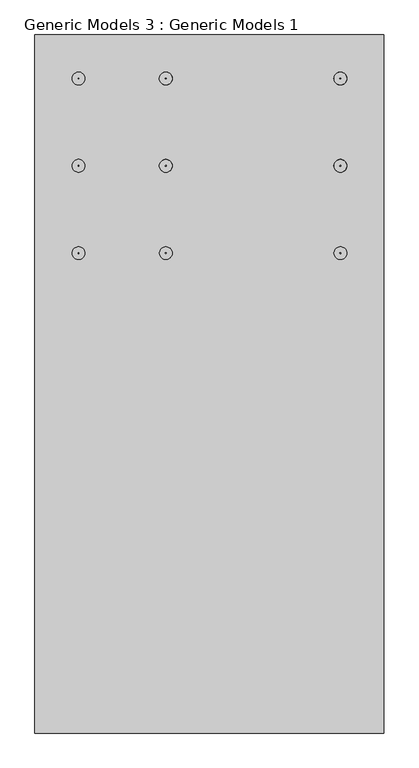
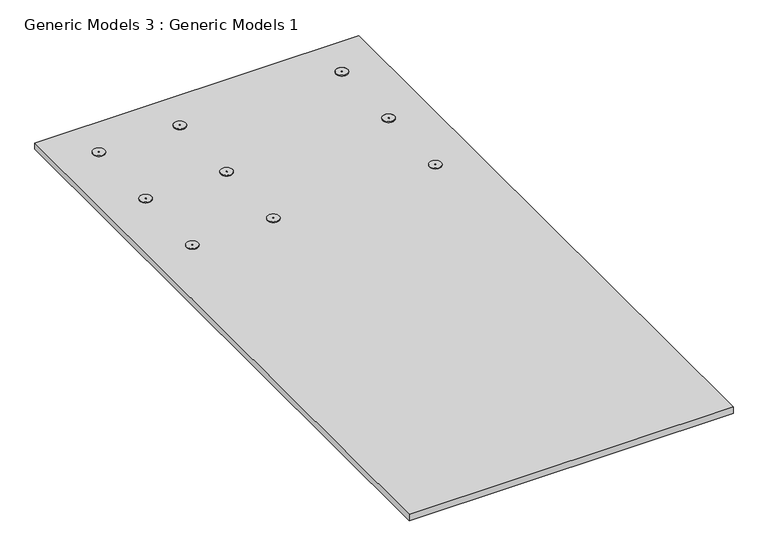
"""IFC4 building model written with IfcOpenShell, lengths in millimetres: proxy geometry, Generic Models 3 : Generic Models 1."""

from ifc_helpers import new_model, si_unit, point, frame, frame_2d, origin, origin_with_axes, place, context, project, spatial, polyline, circle_curve, trimmed, segment, composite_curve, outline, extrude, source, transform, mapped, element, save


def generic_models_3_generic_models_1_8e79a95f(model_context):
    return source(origin(), model_context, "Body", "SweptSolid", [
        extrude(outline(composite_curve([segment(trimmed(circle_curve(frame_2d((2352.4726139, -1003.2713401)), 22.225), [point((2330.2476139, -1003.2713401))], [point((2374.6976139, -1003.2713401))], False, "CARTESIAN"), True, "CONTINUOUS"), segment(trimmed(circle_curve(frame_2d((2352.4726139, -1003.2713401)), 22.225), [point((2374.6976139, -1003.2713401))], [point((2330.2476139, -1003.2713401))], False, "CARTESIAN"), True, "CONTINUOUS")], self_intersect=False), holes=[composite_curve([segment(trimmed(circle_curve(frame_2d((2352.4726139, -1003.2713401)), 1.5875), [point((2350.8851139, -1003.2713401))], [point((2354.0601139, -1003.2713401))], True, "CARTESIAN"), True, "CONTINUOUS"), segment(trimmed(circle_curve(frame_2d((2352.4726139, -1003.2713401)), 1.5875), [point((2354.0601139, -1003.2713401))], [point((2350.8851139, -1003.2713401))], True, "CARTESIAN"), True, "CONTINUOUS")], self_intersect=False)]), frame((0.0, 0.0, 25.4), z_axis=(0.0, 0.0, 1.0), x_axis=(1.0, 0.0, 0.0)), (0.0, 0.0, 1.0), 3.175),
        extrude(outline(composite_curve([segment(trimmed(circle_curve(frame_2d((2047.6726139, -1003.2713401)), 22.225), [point((2069.8976139, -1003.2713401))], [point((2025.4476139, -1003.2713401))], False, "CARTESIAN"), True, "CONTINUOUS"), segment(trimmed(circle_curve(frame_2d((2047.6726139, -1003.2713401)), 22.225), [point((2025.4476139, -1003.2713401))], [point((2069.8976139, -1003.2713401))], False, "CARTESIAN"), True, "CONTINUOUS")], self_intersect=False), holes=[composite_curve([segment(trimmed(circle_curve(frame_2d((2047.6726139, -1003.2713401)), 1.5875), [point((2049.2601139, -1003.2713401))], [point((2046.0851139, -1003.2713401))], True, "CARTESIAN"), True, "CONTINUOUS"), segment(trimmed(circle_curve(frame_2d((2047.6726139, -1003.2713401)), 1.5875), [point((2046.0851139, -1003.2713401))], [point((2049.2601139, -1003.2713401))], True, "CARTESIAN"), True, "CONTINUOUS")], self_intersect=False)]), frame((0.0, 0.0, 25.4), z_axis=(0.0, 0.0, 1.0), x_axis=(1.0, 0.0, 0.0)), (0.0, 0.0, 1.0), 3.175),
        extrude(outline(composite_curve([segment(trimmed(circle_curve(frame_2d((2962.0726139, -1003.2713401)), 22.225), [point((2939.8476139, -1003.2713401))], [point((2984.2976139, -1003.2713401))], False, "CARTESIAN"), True, "CONTINUOUS"), segment(trimmed(circle_curve(frame_2d((2962.0726139, -1003.2713401)), 22.225), [point((2984.2976139, -1003.2713401))], [point((2939.8476139, -1003.2713401))], False, "CARTESIAN"), True, "CONTINUOUS")], self_intersect=False), holes=[composite_curve([segment(trimmed(circle_curve(frame_2d((2962.0726139, -1003.2713401)), 1.5875), [point((2960.4851139, -1003.2713401))], [point((2963.6601139, -1003.2713401))], True, "CARTESIAN"), True, "CONTINUOUS"), segment(trimmed(circle_curve(frame_2d((2962.0726139, -1003.2713401)), 1.5875), [point((2963.6601139, -1003.2713401))], [point((2960.4851139, -1003.2713401))], True, "CARTESIAN"), True, "CONTINUOUS")], self_intersect=False)]), frame((0.0, 0.0, 25.4), z_axis=(0.0, 0.0, 1.0), x_axis=(1.0, 0.0, 0.0)), (0.0, 0.0, 1.0), 3.175),
        extrude(outline(composite_curve([segment(trimmed(circle_curve(frame_2d((2352.4726139, -698.4713401)), 22.225), [point((2352.4726139, -720.6963401))], [point((2352.4726139, -676.2463401))], False, "CARTESIAN"), True, "CONTINUOUS"), segment(trimmed(circle_curve(frame_2d((2352.4726139, -698.4713401)), 22.225), [point((2352.4726139, -676.2463401))], [point((2352.4726139, -720.6963401))], False, "CARTESIAN"), True, "CONTINUOUS")], self_intersect=False), holes=[composite_curve([segment(trimmed(circle_curve(frame_2d((2352.4726139, -698.4713401)), 1.5875), [point((2352.4726139, -700.0588401))], [point((2352.4726139, -696.8838401))], True, "CARTESIAN"), True, "CONTINUOUS"), segment(trimmed(circle_curve(frame_2d((2352.4726139, -698.4713401)), 1.5875), [point((2352.4726139, -696.8838401))], [point((2352.4726139, -700.0588401))], True, "CARTESIAN"), True, "CONTINUOUS")], self_intersect=False)]), frame((0.0, 0.0, 25.4), z_axis=(0.0, 0.0, 1.0), x_axis=(1.0, 0.0, 0.0)), (0.0, 0.0, 1.0), 3.175),
        extrude(outline(composite_curve([segment(trimmed(circle_curve(frame_2d((2962.0726139, -698.4713401)), 22.225), [point((2962.0726139, -720.6963401))], [point((2962.0726139, -676.2463401))], False, "CARTESIAN"), True, "CONTINUOUS"), segment(trimmed(circle_curve(frame_2d((2962.0726139, -698.4713401)), 22.225), [point((2962.0726139, -676.2463401))], [point((2962.0726139, -720.6963401))], False, "CARTESIAN"), True, "CONTINUOUS")], self_intersect=False), holes=[composite_curve([segment(trimmed(circle_curve(frame_2d((2962.0726139, -698.4713401)), 1.5875), [point((2962.0726139, -700.0588401))], [point((2962.0726139, -696.8838401))], True, "CARTESIAN"), True, "CONTINUOUS"), segment(trimmed(circle_curve(frame_2d((2962.0726139, -698.4713401)), 1.5875), [point((2962.0726139, -696.8838401))], [point((2962.0726139, -700.0588401))], True, "CARTESIAN"), True, "CONTINUOUS")], self_intersect=False)]), frame((0.0, 0.0, 25.4), z_axis=(0.0, 0.0, 1.0), x_axis=(1.0, 0.0, 0.0)), (0.0, 0.0, 1.0), 3.175),
        extrude(outline(composite_curve([segment(trimmed(circle_curve(frame_2d((2352.4726139, -698.4713401)), 22.225), [point((2330.2476139, -698.4713401))], [point((2374.6976139, -698.4713401))], False, "CARTESIAN"), True, "CONTINUOUS"), segment(trimmed(circle_curve(frame_2d((2352.4726139, -698.4713401)), 22.225), [point((2374.6976139, -698.4713401))], [point((2330.2476139, -698.4713401))], False, "CARTESIAN"), True, "CONTINUOUS")], self_intersect=False), holes=[composite_curve([segment(trimmed(circle_curve(frame_2d((2352.4726139, -698.4713401)), 1.5875), [point((2350.8851139, -698.4713401))], [point((2354.0601139, -698.4713401))], True, "CARTESIAN"), True, "CONTINUOUS"), segment(trimmed(circle_curve(frame_2d((2352.4726139, -698.4713401)), 1.5875), [point((2354.0601139, -698.4713401))], [point((2350.8851139, -698.4713401))], True, "CARTESIAN"), True, "CONTINUOUS")], self_intersect=False)]), frame((0.0, 0.0, 25.4), z_axis=(0.0, 0.0, 1.0), x_axis=(1.0, 0.0, 0.0)), (0.0, 0.0, 1.0), 3.175),
        extrude(outline(composite_curve([segment(trimmed(circle_curve(frame_2d((2047.6726139, -698.4713401)), 22.225), [point((2069.8976139, -698.4713401))], [point((2025.4476139, -698.4713401))], False, "CARTESIAN"), True, "CONTINUOUS"), segment(trimmed(circle_curve(frame_2d((2047.6726139, -698.4713401)), 22.225), [point((2025.4476139, -698.4713401))], [point((2069.8976139, -698.4713401))], False, "CARTESIAN"), True, "CONTINUOUS")], self_intersect=False), holes=[composite_curve([segment(trimmed(circle_curve(frame_2d((2047.6726139, -698.4713401)), 1.5875), [point((2049.2601139, -698.4713401))], [point((2046.0851139, -698.4713401))], True, "CARTESIAN"), True, "CONTINUOUS"), segment(trimmed(circle_curve(frame_2d((2047.6726139, -698.4713401)), 1.5875), [point((2046.0851139, -698.4713401))], [point((2049.2601139, -698.4713401))], True, "CARTESIAN"), True, "CONTINUOUS")], self_intersect=False)]), frame((0.0, 0.0, 25.4), z_axis=(0.0, 0.0, 1.0), x_axis=(1.0, 0.0, 0.0)), (0.0, 0.0, 1.0), 3.175),
        extrude(outline(composite_curve([segment(trimmed(circle_curve(frame_2d((2962.0726139, -698.4713401)), 22.225), [point((2939.8476139, -698.4713401))], [point((2984.2976139, -698.4713401))], False, "CARTESIAN"), True, "CONTINUOUS"), segment(trimmed(circle_curve(frame_2d((2962.0726139, -698.4713401)), 22.225), [point((2984.2976139, -698.4713401))], [point((2939.8476139, -698.4713401))], False, "CARTESIAN"), True, "CONTINUOUS")], self_intersect=False), holes=[composite_curve([segment(trimmed(circle_curve(frame_2d((2962.0726139, -698.4713401)), 1.5875), [point((2960.4851139, -698.4713401))], [point((2963.6601139, -698.4713401))], True, "CARTESIAN"), True, "CONTINUOUS"), segment(trimmed(circle_curve(frame_2d((2962.0726139, -698.4713401)), 1.5875), [point((2963.6601139, -698.4713401))], [point((2960.4851139, -698.4713401))], True, "CARTESIAN"), True, "CONTINUOUS")], self_intersect=False)]), frame((0.0, 0.0, 25.4), z_axis=(0.0, 0.0, 1.0), x_axis=(1.0, 0.0, 0.0)), (0.0, 0.0, 1.0), 3.175),
        extrude(outline(composite_curve([segment(trimmed(circle_curve(frame_2d((2352.4726139, -393.6713401)), 22.225), [point((2352.4726139, -415.8963401))], [point((2352.4726139, -371.4463401))], False, "CARTESIAN"), True, "CONTINUOUS"), segment(trimmed(circle_curve(frame_2d((2352.4726139, -393.6713401)), 22.225), [point((2352.4726139, -371.4463401))], [point((2352.4726139, -415.8963401))], False, "CARTESIAN"), True, "CONTINUOUS")], self_intersect=False), holes=[composite_curve([segment(trimmed(circle_curve(frame_2d((2352.4726139, -393.6713401)), 1.5875), [point((2352.4726139, -395.2588401))], [point((2352.4726139, -392.0838401))], True, "CARTESIAN"), True, "CONTINUOUS"), segment(trimmed(circle_curve(frame_2d((2352.4726139, -393.6713401)), 1.5875), [point((2352.4726139, -392.0838401))], [point((2352.4726139, -395.2588401))], True, "CARTESIAN"), True, "CONTINUOUS")], self_intersect=False)]), frame((0.0, 0.0, 25.4), z_axis=(0.0, 0.0, 1.0), x_axis=(1.0, 0.0, 0.0)), (0.0, 0.0, 1.0), 3.175),
        extrude(outline(composite_curve([segment(trimmed(circle_curve(frame_2d((2962.0726139, -393.6713401)), 22.225), [point((2962.0726139, -415.8963401))], [point((2962.0726139, -371.4463401))], False, "CARTESIAN"), True, "CONTINUOUS"), segment(trimmed(circle_curve(frame_2d((2962.0726139, -393.6713401)), 22.225), [point((2962.0726139, -371.4463401))], [point((2962.0726139, -415.8963401))], False, "CARTESIAN"), True, "CONTINUOUS")], self_intersect=False), holes=[composite_curve([segment(trimmed(circle_curve(frame_2d((2962.0726139, -393.6713401)), 1.5875), [point((2962.0726139, -395.2588401))], [point((2962.0726139, -392.0838401))], True, "CARTESIAN"), True, "CONTINUOUS"), segment(trimmed(circle_curve(frame_2d((2962.0726139, -393.6713401)), 1.5875), [point((2962.0726139, -392.0838401))], [point((2962.0726139, -395.2588401))], True, "CARTESIAN"), True, "CONTINUOUS")], self_intersect=False)]), frame((0.0, 0.0, 25.4), z_axis=(0.0, 0.0, 1.0), x_axis=(1.0, 0.0, 0.0)), (0.0, 0.0, 1.0), 3.175),
        extrude(outline(composite_curve([segment(trimmed(circle_curve(frame_2d((2352.4726139, -393.6713401)), 22.225), [point((2330.2476139, -393.6713401))], [point((2374.6976139, -393.6713401))], False, "CARTESIAN"), True, "CONTINUOUS"), segment(trimmed(circle_curve(frame_2d((2352.4726139, -393.6713401)), 22.225), [point((2374.6976139, -393.6713401))], [point((2330.2476139, -393.6713401))], False, "CARTESIAN"), True, "CONTINUOUS")], self_intersect=False), holes=[composite_curve([segment(trimmed(circle_curve(frame_2d((2352.4726139, -393.6713401)), 1.5875), [point((2350.8851139, -393.6713401))], [point((2354.0601139, -393.6713401))], True, "CARTESIAN"), True, "CONTINUOUS"), segment(trimmed(circle_curve(frame_2d((2352.4726139, -393.6713401)), 1.5875), [point((2354.0601139, -393.6713401))], [point((2350.8851139, -393.6713401))], True, "CARTESIAN"), True, "CONTINUOUS")], self_intersect=False)]), frame((0.0, 0.0, 25.4), z_axis=(0.0, 0.0, 1.0), x_axis=(1.0, 0.0, 0.0)), (0.0, 0.0, 1.0), 3.175),
        extrude(outline(composite_curve([segment(trimmed(circle_curve(frame_2d((2047.6726139, -393.6713401)), 22.225), [point((2069.8976139, -393.6713401))], [point((2025.4476139, -393.6713401))], False, "CARTESIAN"), True, "CONTINUOUS"), segment(trimmed(circle_curve(frame_2d((2047.6726139, -393.6713401)), 22.225), [point((2025.4476139, -393.6713401))], [point((2069.8976139, -393.6713401))], False, "CARTESIAN"), True, "CONTINUOUS")], self_intersect=False), holes=[composite_curve([segment(trimmed(circle_curve(frame_2d((2047.6726139, -393.6713401)), 1.5875), [point((2049.2601139, -393.6713401))], [point((2046.0851139, -393.6713401))], True, "CARTESIAN"), True, "CONTINUOUS"), segment(trimmed(circle_curve(frame_2d((2047.6726139, -393.6713401)), 1.5875), [point((2046.0851139, -393.6713401))], [point((2049.2601139, -393.6713401))], True, "CARTESIAN"), True, "CONTINUOUS")], self_intersect=False)]), frame((0.0, 0.0, 25.4), z_axis=(0.0, 0.0, 1.0), x_axis=(1.0, 0.0, 0.0)), (0.0, 0.0, 1.0), 3.175),
        extrude(outline(composite_curve([segment(trimmed(circle_curve(frame_2d((2962.0726139, -393.6713401)), 22.225), [point((2939.8476139, -393.6713401))], [point((2984.2976139, -393.6713401))], False, "CARTESIAN"), True, "CONTINUOUS"), segment(trimmed(circle_curve(frame_2d((2962.0726139, -393.6713401)), 22.225), [point((2984.2976139, -393.6713401))], [point((2939.8476139, -393.6713401))], False, "CARTESIAN"), True, "CONTINUOUS")], self_intersect=False), holes=[composite_curve([segment(trimmed(circle_curve(frame_2d((2962.0726139, -393.6713401)), 1.5875), [point((2960.4851139, -393.6713401))], [point((2963.6601139, -393.6713401))], True, "CARTESIAN"), True, "CONTINUOUS"), segment(trimmed(circle_curve(frame_2d((2962.0726139, -393.6713401)), 1.5875), [point((2963.6601139, -393.6713401))], [point((2960.4851139, -393.6713401))], True, "CARTESIAN"), True, "CONTINUOUS")], self_intersect=False)]), frame((0.0, 0.0, 25.4), z_axis=(0.0, 0.0, 1.0), x_axis=(1.0, 0.0, 0.0)), (0.0, 0.0, 1.0), 3.175),
        extrude(outline(polyline([(1895.2726139, -241.2713401), (3114.4726139, -241.2713401), (3114.4726139, -2679.6713401), (1895.2726139, -2679.6713401), (1895.2726139, -241.2713401)])), origin_with_axes(), (0.0, 0.0, 1.0), 25.4),
    ])


if __name__ == "__main__":
    model = new_model("IFC4")
    model_context = context("Model", 3, world=origin())
    ifc_project = project(units=[si_unit("LENGTHUNIT", "METRE", prefix="MILLI")], contexts=[model_context])
    site = spatial("IfcSite", under=ifc_project)
    building = spatial("IfcBuilding", under=site)
    placement = place(None, origin())
    generic_models_3_generic_models_1_shape = generic_models_3_generic_models_1_8e79a95f(model_context)
    element("IfcBuildingElementProxy", 1, Name="Generic Models 3 : Generic Models 1", ObjectType="Generic Models 3 : Generic Models 1", at=placement, inside=building, context=model_context, shape_type="MappedRepresentation", body=[
        mapped(generic_models_3_generic_models_1_shape, transform((0.0, 0.0, 0.0), x_axis=(1.0, 0.0, 0.0), y_axis=(0.0, 1.0, 0.0), z_axis=(0.0, 0.0, 1.0))),
    ])
    save(model, "model.ifc")
